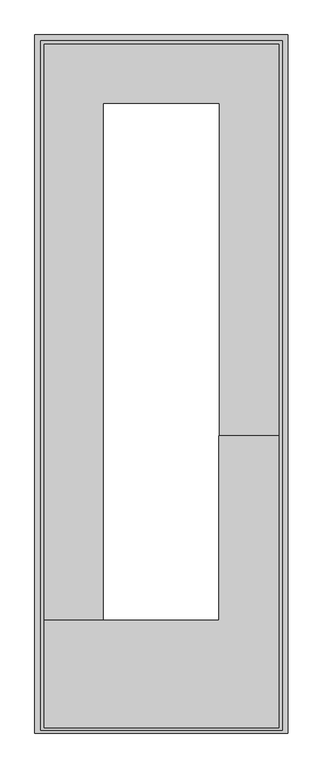
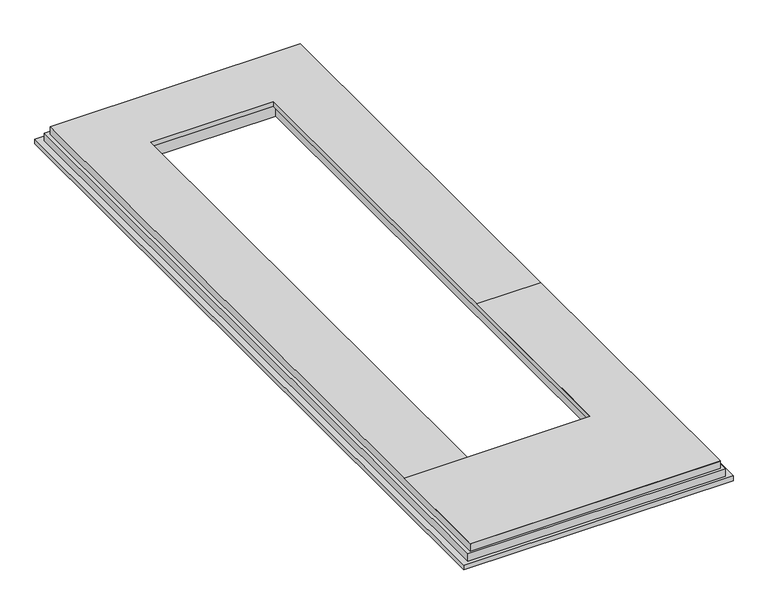
"""IFC4 building model written with IfcOpenShell, lengths in millimetres: proxy geometry."""

from ifc_helpers import new_model, si_unit, frame, origin, place, context, project, spatial, polyline, outline, extrude, faceted_brep, source, transform, mapped, element, save


def generic_models_a1adaede(model_context):
    return source(origin(), model_context, "Body", "SolidModel", [
        extrude(outline(polyline([(72.0, 22.0), (72.0, 400.0), (688.5, 400.0), (688.5, 1050.0), (899.5, 1050.0), (899.5, 22.0), (72.0, 22.0)])), frame((0.0, 0.0, -16.5), z_axis=(0.0, 0.0, 1.0), x_axis=(1.0, 0.0, 0.0)), (0.0, 0.0, 1.0), 1.0),
        faceted_brep([(40.0, 2460.0, -68.0), (931.5, 2460.0, -68.0), (931.5, 2460.0, -84.5), (40.0, 2460.0, -84.5), (931.5, 3.0, -84.5), (40.0, 3.0, -84.5), (265.0, 382.0, -84.5), (706.5, 382.0, -84.5), (706.5, 2235.0, -84.5), (265.0, 2235.0, -84.5), (706.5, 382.0, -32.5), (706.5, 2235.0, -32.5), (265.0, 382.0, -32.5), (265.0, 2235.0, -32.5), (283.0, 400.0, -32.5), (688.5, 400.0, -32.5), (688.5, 2217.0, -32.5), (283.0, 2217.0, -32.5), (688.5, 400.0, -16.5), (688.5, 2217.0, -16.5), (899.5, 2428.0, -16.5), (72.0, 2428.0, -16.5), (72.0, 22.0, -16.5), (899.5, 22.0, -16.5), (283.0, 400.0, -16.5), (283.0, 2217.0, -16.5), (931.5, 3.0, -68.0), (40.0, 3.0, -68.0), (911.5, 13.0, -68.0), (60.0, 13.0, -68.0), (60.0, 2440.0, -68.0), (911.5, 2440.0, -68.0), (911.5, 2440.0, -42.0), (911.5, 13.0, -42.0), (899.5, 22.0, -42.0), (899.5, 2428.0, -42.0), (60.0, 2440.0, -42.0), (60.0, 13.0, -42.0), (72.0, 22.0, -42.0), (72.0, 2428.0, -42.0)], [[[0, 1, 2, 3]], [[4, 5, 3, 2], [6, 7, 8, 9]], [[7, 10, 11, 8]], [[10, 12, 13, 11], [14, 15, 16, 17]], [[15, 18, 19, 16]], [[20, 21, 22, 23], [18, 24, 25, 19]], [[2, 1, 26, 4]], [[4, 26, 27, 5]], [[1, 0, 27, 26], [28, 29, 30, 31]], [[28, 31, 32, 33]], [[23, 34, 35, 20]], [[33, 32, 36, 37], [35, 34, 38, 39]], [[7, 6, 12, 10]], [[15, 14, 24, 18]], [[12, 6, 9, 13]], [[24, 14, 17, 25]], [[5, 27, 0, 3]], [[30, 29, 37, 36]], [[39, 38, 22, 21]], [[9, 8, 11, 13]], [[19, 25, 17, 16]], [[31, 30, 36, 32]], [[20, 35, 39, 21]], [[29, 28, 33, 37]], [[38, 34, 23, 22]]]),
    ])


if __name__ == "__main__":
    model = new_model("IFC4")
    model_context = context("Model", 3, world=origin())
    ifc_project = project(units=[si_unit("LENGTHUNIT", "METRE", prefix="MILLI")], contexts=[model_context])
    site = spatial("IfcSite", under=ifc_project)
    building = spatial("IfcBuilding", under=site)
    placement = place(None, origin())
    generic_models_shape = generic_models_a1adaede(model_context)
    element("IfcBuildingElementProxy", 1, Name="Generic Models", at=placement, inside=building, context=model_context, shape_type="MappedRepresentation", body=[
        mapped(generic_models_shape, transform((0.0, 0.0, 0.0), x_axis=(1.0, 0.0, 0.0), y_axis=(0.0, 1.0, 0.0), z_axis=(0.0, 0.0, 1.0))),
    ])
    save(model, "model.ifc")
